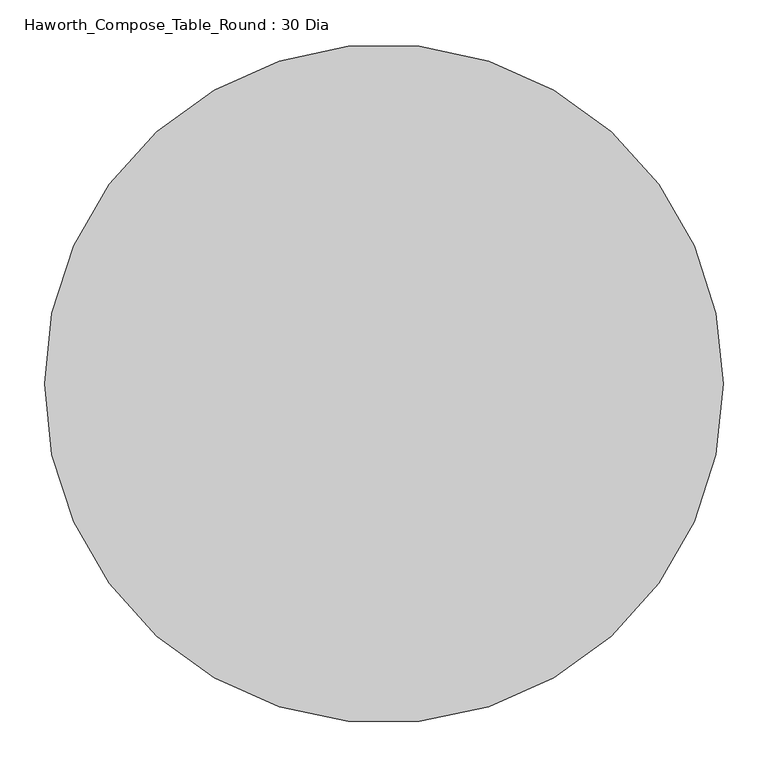
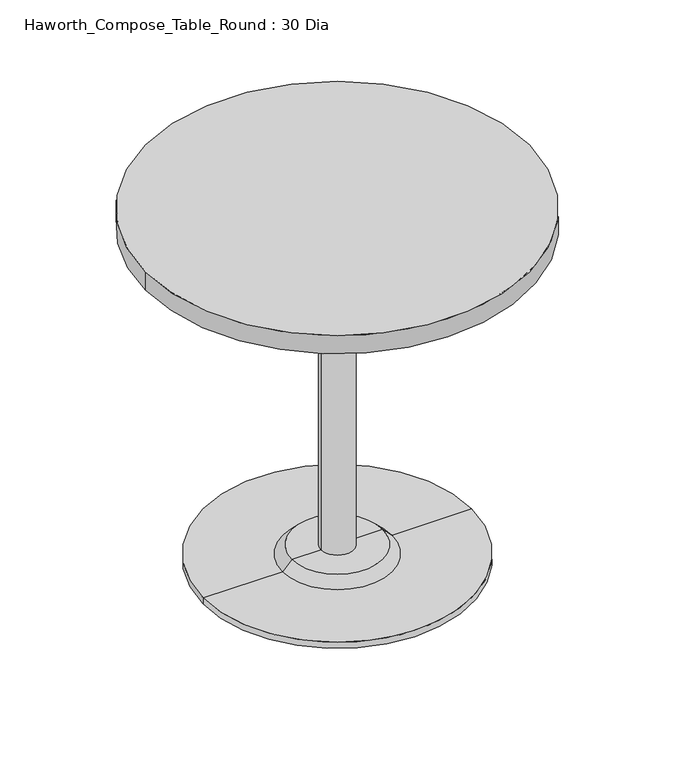
"""IFC4 building model written with IfcOpenShell, lengths in millimetres: furniture geometry, Haworth_Compose_Table_Round : 30 Dia."""

from ifc_helpers import new_model, si_unit, point, frame, frame_2d, origin, place, context, project, spatial, polyline, circle_curve, trimmed, segment, composite_curve, outline, extrude, source, transform, mapped, element, save
from ifc_brep_helpers import plane_surface, cylinder_surface, revolved_surface, advanced_brep


def haworth_compose_table_round_30_dia_a40797e7(model_context):
    return source(origin(), model_context, "Body", "SolidModel", [
        advanced_brep(
        [(32.573978, 139.7, 698.5), (-32.573978, 139.7, 698.5), (0.0, 139.7, 698.5), (32.573978, 139.7, 31.75), (-32.573978, 139.7, 31.75), (89.723978, 139.7, 31.75), (-89.723978, 139.7, 31.75), (266.7, 139.7, 0.0), (-266.7, 139.7, 0.0), (-266.7, 139.7, 12.7), (266.7, 139.7, 12.7), (0.0, 139.7, 0.0), (108.773978, 139.7, 12.7), (-108.773978, 139.7, 12.7)],
        [
            (0, 1, circle_curve(frame((0.0, 139.7, 698.5), z_axis=(0.0, 0.0, 1.0), x_axis=(-1.0, 0.0, 0.0)), 32.573978)),
            (1, 2),
            (2, 0),
            (1, 0, circle_curve(frame((0.0, 139.7, 698.5), z_axis=(0.0, 0.0, 1.0), x_axis=(-1.0, 0.0, 0.0)), 32.573978)),
            (3, 4, circle_curve(frame((0.0, 139.7, 31.75), z_axis=(0.0, 0.0, 1.0), x_axis=(-1.0, 0.0, 0.0)), 32.573978)),
            (4, 1),
            (0, 3),
            (4, 3, circle_curve(frame((0.0, 139.7, 31.75), z_axis=(0.0, 0.0, 1.0), x_axis=(-1.0, 0.0, 0.0)), 32.573978)),
            (5, 6, circle_curve(frame((0.0, 139.7, 31.75), z_axis=(0.0, 0.0, 1.0), x_axis=(-1.0, 0.0, 0.0)), 89.723978)),
            (6, 4),
            (3, 5),
            (6, 5, circle_curve(frame((0.0, 139.7, 31.75), z_axis=(0.0, 0.0, 1.0), x_axis=(-1.0, 0.0, 0.0)), 89.723978)),
            (7, 8, circle_curve(frame((0.0, 139.7, 0.0), z_axis=(0.0, 0.0, 1.0), x_axis=(-1.0, 0.0, 0.0)), 266.7)),
            (8, 9),
            (9, 10, circle_curve(frame((0.0, 139.7, 12.7), z_axis=(0.0, 0.0, -1.0), x_axis=(-1.0, 0.0, 0.0)), 266.7)),
            (10, 7),
            (8, 7, circle_curve(frame((0.0, 139.7, 0.0), z_axis=(0.0, 0.0, 1.0), x_axis=(-1.0, 0.0, 0.0)), 266.7)),
            (10, 9, circle_curve(frame((0.0, 139.7, 12.7), z_axis=(0.0, 0.0, -1.0), x_axis=(-1.0, 0.0, 0.0)), 266.7)),
            (11, 8),
            (7, 11),
            (12, 13, circle_curve(frame((0.0, 139.7, 12.7), z_axis=(0.0, 0.0, 1.0), x_axis=(-1.0, 0.0, 0.0)), 108.773978)),
            (13, 6),
            (5, 12),
            (13, 12, circle_curve(frame((0.0, 139.7, 12.7), z_axis=(0.0, 0.0, 1.0), x_axis=(-1.0, 0.0, 0.0)), 108.773978)),
            (9, 13),
            (12, 10),
        ],
        [
            plane_surface(frame((0.0, 139.7, 698.5), z_axis=(0.0, 0.0, 1.0), x_axis=(-1.0, 0.0, 0.0))),
            cylinder_surface(frame((0.0, 139.7, 881.685757), z_axis=(0.0, 0.0, -1.0), x_axis=(-1.0, 0.0, 0.0)), 32.573978),
            plane_surface(frame((0.0, 139.7, 31.75), z_axis=(0.0, 0.0, 1.0), x_axis=(-1.0, 0.0, 0.0))),
            cylinder_surface(frame((0.0, 139.7, 881.685757), z_axis=(0.0, 0.0, -1.0), x_axis=(-1.0, 0.0, 0.0)), 266.7),
            plane_surface(frame((0.0, 139.7, 0.0), z_axis=(0.0, 0.0, -1.0), x_axis=(-1.0, 0.0, 0.0))),
            revolved_surface(polyline([(-89.723978, 139.7, 31.75), (-108.773978, 139.7, 12.7)]), (0.0, 139.7, 881.685757), (0.0, 0.0, -1.0)),
            plane_surface(frame((0.0, 139.7, 12.7), z_axis=(0.0, 0.0, 1.0), x_axis=(-1.0, 0.0, 0.0))),
        ],
        [
            (0, [[1, 2, 3]]),
            (0, [[4, -3, -2]]),
            (1, [[5, 6, -1, 7]]),
            (1, [[8, -7, -4, -6]]),
            (2, [[9, 10, -5, 11]]),
            (2, [[12, -11, -8, -10]]),
            (3, [[13, 14, 15, 16]]),
            (3, [[17, -16, 18, -14]]),
            (4, [[19, -13, 20]]),
            (4, [[-20, -17, -19]]),
            (5, [[21, 22, -9, 23]]),
            (5, [[24, -23, -12, -22]]),
            (6, [[-15, 25, -21, 26]]),
            (6, [[-18, -26, -24, -25]]),
        ],
    ),
        extrude(outline(composite_curve([segment(trimmed(circle_curve(frame_2d((0.0, 139.7)), 381.0), [point((-381.0, 139.7))], [point((381.0, 139.7))], False, "CARTESIAN"), True, "CONTINUOUS"), segment(trimmed(circle_curve(frame_2d((0.0, 139.7)), 381.0), [point((381.0, 139.7))], [point((-381.0, 139.7))], False, "CARTESIAN"), True, "CONTINUOUS")], self_intersect=False)), frame((0.0, 0.0, 698.5), z_axis=(0.0, 0.0, 1.0), x_axis=(1.0, 0.0, 0.0)), (0.0, 0.0, 1.0), 38.1),
    ])


if __name__ == "__main__":
    model = new_model("IFC4")
    model_context = context("Model", 3, world=origin())
    ifc_project = project(units=[si_unit("LENGTHUNIT", "METRE", prefix="MILLI")], contexts=[model_context])
    site = spatial("IfcSite", under=ifc_project)
    building = spatial("IfcBuilding", under=site)
    placement = place(None, origin())
    haworth_compose_table_round_30_dia_shape = haworth_compose_table_round_30_dia_a40797e7(model_context)
    element("IfcFurniture", 1, ObjectType="Haworth_Compose_Table_Round : 30 Dia", at=placement, inside=building, context=model_context, shape_type="MappedRepresentation", body=[
        mapped(haworth_compose_table_round_30_dia_shape, transform((0.0, 0.0, 0.0), x_axis=(1.0, 0.0, 0.0), y_axis=(0.0, 1.0, 0.0), z_axis=(0.0, 0.0, 1.0))),
    ])
    save(model, "model.ifc")
